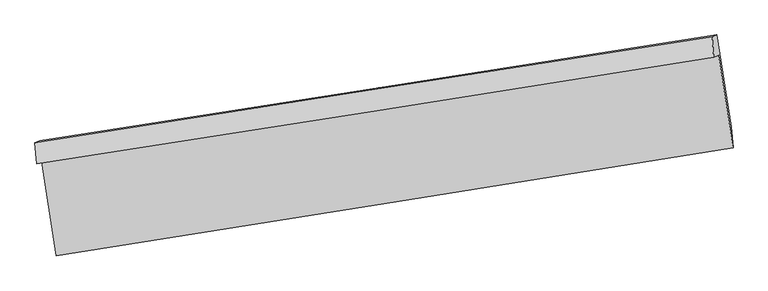
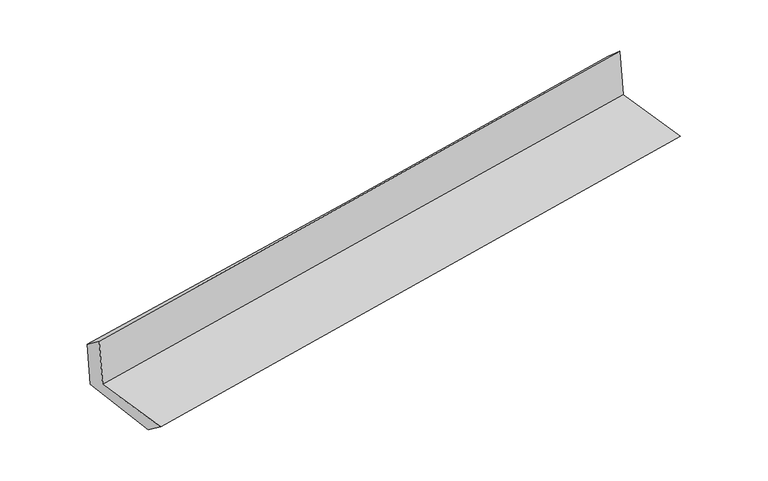
"""IFC4 building model written with IfcOpenShell, lengths in millimetres: proxy geometry."""

from ifc_helpers import new_model, si_unit, frame, origin, place, context, project, spatial, source, transform, mapped, element, save
from ifc_brep_helpers import plane_surface, spline_curve, spline_surface, advanced_brep


def generic_models_d488609c(model_context):
    return source(origin(), model_context, "Body", "AdvancedBrep", [
        advanced_brep(
        [(-2407.5226117, -1878.1627496, 1673.1842375), (-2305.1267108, -2537.5532129, 1664.8449881), (2456.4008634, -1778.1061402, 2091.0245307), (2354.9250058, -1128.6034633, 2099.1842692), (-2442.7203126, -1890.46896, 2073.9535472), (2319.5075453, -1140.9862821, 2502.4424919), (-2455.1516878, -1742.1816868, 1961.3494334), (2309.1705184, -997.0874819, 2373.0787543), (-2422.6637051, -1729.6030586, 1589.4024879), (2340.0058133, -985.1487379, 2020.053027), (-2318.7391189, -2378.9466991, 1547.8182361), (2443.7382902, -1629.4680825, 1978.8399085)],
        [
            (0, 1),
            (1, 2, spline_curve(3, [(-2305.1267108, -2537.5532129, 1664.8449881), (-1508.173749788, -2412.465548811, 1738.501006652), (-711.268620817, -2286.369565552, 1810.98550037), (875.906455649, -2033.20405935, 1953.026198365), (1666.177184273, -1906.151018402, 2022.601552042), (2456.4008634, -1778.1061402, 2091.0245307)], [4, 2, 4], [0.0, 7.972658259272925, 15.87988780442874])),
            (2, 3),
            (3, 0, spline_curve(3, [(2354.9250058, -1128.6034633, 2099.1842692), (1564.550293054, -1255.02236313, 2030.790833533), (774.12769633, -1380.441858804, 1961.245148087), (-813.354047235, -1630.311562047, 1819.264284981), (-1610.413989585, -1754.745161554, 1746.80995995), (-2407.5226117, -1878.1627496, 1673.1842375)], [4, 2, 4], [0.0, 7.907229545155816, 15.87988780442874])),
            (4, 0),
            (3, 5),
            (5, 4, spline_curve(3, [(2319.5075453, -1140.9862821, 2502.4424919), (1529.394141013, -1267.313859171, 2431.07602213), (739.120899511, -1392.681173849, 2359.831991018), (-848.285730331, -1642.524690307, 2217.000308281), (-1645.421774949, -1766.984934958, 2145.414690929), (-2442.7203126, -1890.46896, 2073.9535472)], [4, 2, 4], [0.0, 7.906687407556731, 15.878799043289474])),
            (6, 4),
            (5, 7),
            (7, 6, spline_curve(3, [(2309.1705184, -997.0874819, 2373.0787543), (1518.927035492, -1120.853362026, 2299.076130712), (728.415393036, -1244.571852194, 2227.893742509), (-859.687553036, -1492.937374694, 2090.603769884), (-1657.283312662, -1617.583619512, 2024.543051413), (-2455.1516878, -1742.1816868, 1961.3494334)], [4, 2, 4], [0.0, 7.906620240668214, 15.878664153737104])),
            (8, 6),
            (7, 9),
            (9, 8, spline_curve(3, [(2340.0058133, -985.1487379, 2020.053027), (1549.490268421, -1109.019954513, 1949.165173257), (758.97862582, -1232.738444615, 1877.982784755), (-828.577945031, -1480.892422662, 1734.437499743), (-1625.622808813, -1605.325372735, 1662.069708398), (-2422.6637051, -1729.6030586, 1589.4024879)], [4, 2, 4], [0.0, 7.90648951603947, 15.878401622793001])),
            (10, 8),
            (9, 11),
            (11, 10, spline_curve(3, [(2443.7382902, -1629.4680825, 1978.8399085), (1652.992867772, -1752.542906692, 1907.994795426), (862.381690535, -1876.276808354, 1836.803191788), (-725.113010026, -2126.092061551, 1693.135058748), (-1521.994302367, -2252.184365625, 1620.652771458), (-2318.7391189, -2378.9466991, 1547.8182361)], [4, 2, 4], [0.0, 7.906934994305413, 15.879296265454137])),
            (1, 10),
            (11, 2),
        ],
        [
            spline_surface(3, 3, [[(-2407.5226117, -1878.1627496, 1673.1842375), (-1610.413989623, -1754.745161569, 1746.809959874), (-813.354047176, -1630.311561972, 1819.264285045), (774.127696271, -1380.441858879, 1961.245148023), (1564.550293004, -1255.022363061, 2030.790833454), (2354.9250058, -1128.6034633, 2099.1842692)], [(-2373.390644755, -2097.959570673, 1670.404487701), (-1576.333909729, -1973.985290637, 1744.040308832), (-779.325571702, -1848.997563163, 1816.504690166), (808.053949342, -1598.029259061, 1958.505498106), (1598.425923473, -1472.065248196, 2028.061073031), (2388.750291678, -1345.104355604, 2096.464356374)], [(-2339.258677745, -2317.756391827, 1667.624737899), (-1542.25382977, -2193.225419787, 1741.270657788), (-745.297096177, -2067.68356432, 1813.745095315), (841.980202465, -1815.616659208, 1955.765848217), (1632.301553909, -1689.10813332, 2025.331312587), (2422.575577522, -1561.605247896, 2093.744443526)], [(-2305.1267108, -2537.5532129, 1664.8449881), (-1508.173749875, -2412.465548854, 1738.501006745), (-711.268620703, -2286.369565512, 1810.985500436), (875.906455536, -2033.204059389, 1953.026198299), (1666.177184378, -1906.151018454, 2022.601552164), (2456.4008634, -1778.1061402, 2091.0245307)]], [4, 4], [4, 2, 4], [0.0, 2.1731170319358615], [0.0, 7.972658259272925, 15.87988780442874]),
            spline_surface(3, 3, [[(-2442.7203126, -1890.46896, 2073.9535472), (-1645.421774918, -1766.984934867, 2145.414691005), (-848.285730345, -1642.524690332, 2217.000308216), (739.120899525, -1392.681173825, 2359.831991083), (1529.394140909, -1267.313859053, 2431.076022107), (2319.5075453, -1140.9862821, 2502.4424919)], [(-2430.987745634, -1886.366889877, 1940.363777316), (-1633.752513154, -1762.905010444, 2012.54644731), (-836.641835926, -1638.453647553, 2084.421633828), (750.789831802, -1388.601402184, 2226.969710066), (1541.112858262, -1263.21669372, 2297.647625888), (2331.313365455, -1136.858675831, 2368.023084332)], [(-2419.255178666, -1882.264819723, 1806.774007384), (-1622.083251388, -1758.825085991, 1879.678203569), (-824.997941595, -1634.382604751, 1951.842959433), (762.458763993, -1384.52163052, 2094.107429041), (1552.831575651, -1259.119528394, 2164.219229673), (2343.119185645, -1132.731069569, 2233.603676768)], [(-2407.5226117, -1878.1627496, 1673.1842375), (-1610.413989623, -1754.745161569, 1746.809959874), (-813.354047176, -1630.311561972, 1819.264285045), (774.127696271, -1380.441858879, 1961.245148023), (1564.550293004, -1255.022363061, 2030.790833454), (2354.9250058, -1128.6034633, 2099.1842692)]], [4, 4], [4, 2, 4], [0.0, 1.3119343701446027], [0.0, 7.972111635732743, 15.878799043289474]),
            spline_surface(3, 3, [[(-2455.1516878, -1742.1816868, 1961.3494334), (-1657.283312535, -1617.583619478, 2024.543051458), (-859.687552961, -1492.937374678, 2090.603770009), (728.415392962, -1244.571852209, 2227.893742386), (1518.92703543, -1120.853362037, 2299.076130803), (2309.1705184, -997.0874819, 2373.0787543)], [(-2451.007896049, -1791.610777872, 1998.884137993), (-1653.329466645, -1667.384057946, 2064.833597967), (-855.886945422, -1542.799813203, 2132.735949441), (731.98389515, -1293.941626054, 2271.873158648), (1522.416070599, -1169.673527715, 2343.076094564), (2312.616194043, -1045.053748639, 2416.20000016)], [(-2446.864104351, -1841.039868928, 2036.418842607), (-1649.375620808, -1717.184496399, 2105.124144496), (-852.086337885, -1592.662251807, 2174.868128784), (735.552397336, -1343.31139998, 2315.852574821), (1525.90510574, -1218.493693375, 2387.076058346), (2316.061869657, -1093.020015361, 2459.32124604)], [(-2442.7203126, -1890.46896, 2073.9535472), (-1645.421774918, -1766.984934867, 2145.414691005), (-848.285730345, -1642.524690332, 2217.000308216), (739.120899525, -1392.681173825, 2359.831991083), (1529.394140909, -1267.313859053, 2431.076022107), (2319.5075453, -1140.9862821, 2502.4424919)]], [4, 4], [4, 2, 4], [0.0, 0.6475662382626424], [0.0, 7.97204391306889, 15.878664153737104]),
            spline_surface(3, 3, [[(-2422.6637051, -1729.6030586, 1589.4024879), (-1625.622808687, -1605.325372784, 1662.069708361), (-828.577945087, -1480.892422724, 1734.437499615), (758.978625876, -1232.738444553, 1877.982784882), (1549.490268444, -1109.019954381, 1949.165173299), (2340.0058133, -985.1487379, 2020.053027)], [(-2433.493032691, -1733.795934679, 1713.384803062), (-1636.176309994, -1609.411455028, 1782.894156056), (-838.947814406, -1484.907406725, 1853.159589727), (748.790881544, -1236.682913788, 1994.619770697), (1539.302524112, -1112.964423616, 2065.802159114), (2329.727381673, -989.128319249, 2137.728269414)], [(-2444.322360209, -1737.988810721, 1837.367118238), (-1646.729811228, -1613.497537234, 1903.718603763), (-849.317683642, -1488.922390678, 1971.881679897), (738.603137294, -1240.627382975, 2111.25675657), (1529.114779762, -1116.908892803, 2182.439144988), (2319.448950027, -993.107900551, 2255.403511886)], [(-2455.1516878, -1742.1816868, 1961.3494334), (-1657.283312535, -1617.583619478, 2024.543051458), (-859.687552961, -1492.937374678, 2090.603770009), (728.415392962, -1244.571852209, 2227.893742386), (1518.92703543, -1120.853362037, 2299.076130803), (2309.1705184, -997.0874819, 2373.0787543)]], [4, 4], [4, 2, 4], [0.0, 1.1634182273145088], [0.0, 7.971912106753531, 15.878401622793001]),
            spline_surface(3, 3, [[(-2318.7391189, -2378.9466991, 1547.8182361), (-1521.994302367, -2252.184365499, 1620.652771525), (-725.113010006, -2126.092061582, 1693.13505878), (862.381690514, -1876.276808323, 1836.803191756), (1652.992867859, -1752.542906669, 1907.994795304), (2443.7382902, -1629.4680825, 1978.8399085)], [(-2353.380647633, -2162.498818922, 1561.679653366), (-1556.537137807, -2036.56470125, 1634.458417136), (-759.601321685, -1911.025515289, 1706.902539075), (827.914002316, -1661.764020393, 1850.529722814), (1618.492001373, -1538.035255875, 1921.71825465), (2409.160797886, -1414.694967602, 1992.577614682)], [(-2388.022176367, -1946.050938778, 1575.541070634), (-1591.079973247, -1820.945037033, 1648.26406275), (-794.089633407, -1695.958969017, 1720.67001932), (793.446314075, -1447.251232483, 1864.256253823), (1583.99113493, -1323.527605175, 1935.441713952), (2374.583305614, -1199.921852798, 2006.315320818)], [(-2422.6637051, -1729.6030586, 1589.4024879), (-1625.622808687, -1605.325372784, 1662.069708361), (-828.577945087, -1480.892422724, 1734.437499615), (758.978625876, -1232.738444553, 1877.982784882), (1549.490268444, -1109.019954381, 1949.165173299), (2340.0058133, -985.1487379, 2020.053027)]], [4, 4], [4, 2, 4], [0.0, 2.145427967310659], [0.0, 7.972361271148724, 15.879296265454137]),
            spline_surface(3, 3, [[(-2305.1267108, -2537.5532129, 1664.8449881), (-1508.173749875, -2412.465548854, 1738.501006745), (-711.268620703, -2286.369565512, 1810.985500436), (875.906455536, -2033.204059389, 1953.026198299), (1666.177184378, -1906.151018454, 2022.601552164), (2456.4008634, -1778.1061402, 2091.0245307)], [(-2309.664180138, -2484.684374977, 1625.836070763), (-1512.780600677, -2359.038487746, 1699.218261668), (-715.883417136, -2232.943730867, 1771.702019865), (871.398200529, -1980.894975699, 1914.285196099), (1661.782412205, -1854.948314534, 1984.399299883), (2452.180005666, -1728.560120975, 2053.629656639)], [(-2314.201649562, -2431.815537023, 1586.827153437), (-1517.387451565, -2305.611426607, 1659.935516602), (-720.498213572, -2179.517896227, 1732.418539352), (866.889945521, -1928.585892014, 1875.544193956), (1657.387640033, -1803.745610589, 1946.197047584), (2447.959147934, -1679.014101725, 2016.234782561)], [(-2318.7391189, -2378.9466991, 1547.8182361), (-1521.994302367, -2252.184365499, 1620.652771525), (-725.113010006, -2126.092061582, 1693.13505878), (862.381690514, -1876.276808323, 1836.803191756), (1652.992867859, -1752.542906669, 1907.994795304), (2443.7382902, -1629.4680825, 1978.8399085)]], [4, 4], [4, 2, 4], [0.0, 0.648292005984649], [0.0, 7.973026544122939, 15.880621351748607]),
            plane_surface(frame((2370.6246727, -1276.566698, 2177.4371636), z_axis=(0.9840782099956789, 0.15260398808919456, 0.09111585718728521), x_axis=(-0.08696510658387883, -0.03367096544877535, 0.99564217283249))),
            plane_surface(frame((-2391.9873578, -2026.1527278, 1751.7588217), z_axis=(-0.9842217707724169, -0.15168643885494737, -0.0910973666200768), x_axis=(-0.1534375737476621, 0.9880793274231563, 0.012496146663434751))),
        ],
        [
            (0, [[1, 2, 3, 4]]),
            (1, [[5, -4, 6, 7]]),
            (2, [[8, -7, 9, 10]]),
            (3, [[11, -10, 12, 13]]),
            (4, [[14, -13, 15, 16]]),
            (5, [[17, -16, 18, -2]]),
            (6, [[-12, -9, -6, -3, -18, -15]]),
            (7, [[-1, -5, -8, -11, -14, -17]]),
        ],
    ),
    ])


if __name__ == "__main__":
    model = new_model("IFC4")
    model_context = context("Model", 3, world=origin())
    ifc_project = project(units=[si_unit("LENGTHUNIT", "METRE", prefix="MILLI")], contexts=[model_context])
    site = spatial("IfcSite", under=ifc_project)
    building = spatial("IfcBuilding", under=site)
    placement = place(None, origin())
    generic_models_shape = generic_models_d488609c(model_context)
    element("IfcBuildingElementProxy", 1, Name="Generic Models", at=placement, inside=building, context=model_context, shape_type="MappedRepresentation", body=[
        mapped(generic_models_shape, transform((0.0, 0.0, 0.0), x_axis=(1.0, 0.0, 0.0), y_axis=(0.0, 1.0, 0.0), z_axis=(0.0, 0.0, 1.0))),
    ])
    save(model, "model.ifc")
